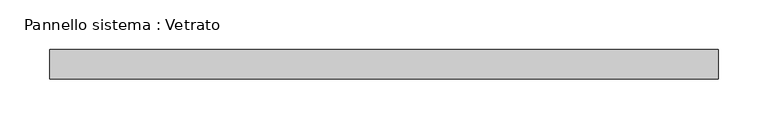
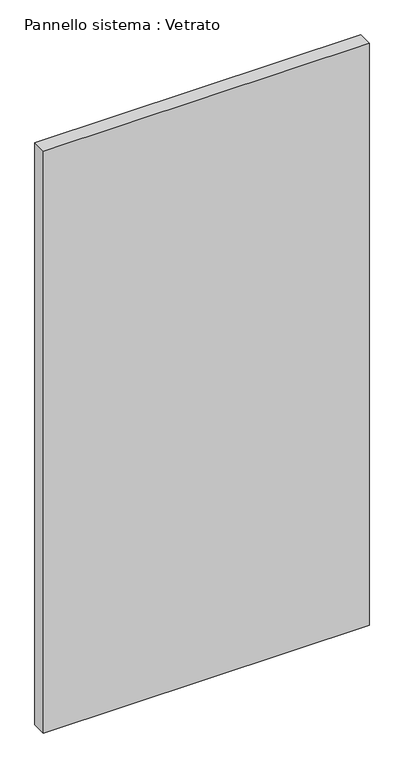
"""IFC4 building model written with IfcOpenShell, lengths in millimetres: plate geometry, Pannello sistema : Vetrato."""

from ifc_helpers import new_model, si_unit, origin, origin_with_axes, place, context, project, spatial, polyline, outline, extrude, source, transform, mapped, element, save


def pannello_sistema_vetrato_bb976d89(model_context):
    return source(origin(), model_context, "Body", "SweptSolid", [
        extrude(outline(polyline([(337.5, -15.0), (-337.5, -15.0), (-337.5, 15.0), (337.5, 15.0), (337.5, -15.0)])), origin_with_axes(), (0.0, 0.0, 1.0), 1275.0),
    ])


if __name__ == "__main__":
    model = new_model("IFC4")
    model_context = context("Model", 3, world=origin())
    ifc_project = project(units=[si_unit("LENGTHUNIT", "METRE", prefix="MILLI")], contexts=[model_context])
    site = spatial("IfcSite", under=ifc_project)
    building = spatial("IfcBuilding", under=site)
    placement = place(None, origin())
    pannello_sistema_vetrato_shape = pannello_sistema_vetrato_bb976d89(model_context)
    element("IfcPlate", 1, ObjectType="Pannello sistema : Vetrato", at=placement, inside=building, context=model_context, shape_type="MappedRepresentation", body=[
        mapped(pannello_sistema_vetrato_shape, transform((0.0, 0.0, 0.0), x_axis=(1.0, 0.0, 0.0), y_axis=(0.0, 1.0, 0.0), z_axis=(0.0, 0.0, 1.0))),
    ])
    save(model, "model.ifc")
